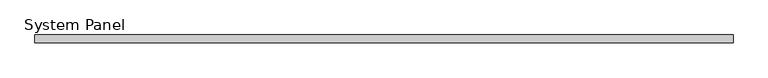
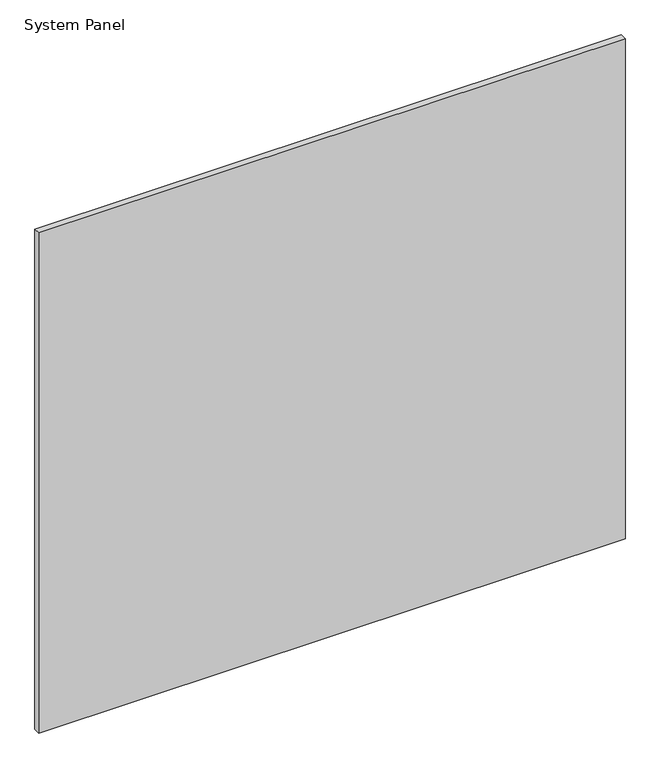
"""IFC4 building model written with IfcOpenShell, lengths in millimetres: plate geometry, System Panel."""

from ifc_helpers import new_model, si_unit, origin, origin_with_axes, place, context, project, spatial, polyline, outline, extrude, source, transform, mapped, element, save


def system_panel_d4c1f66c(model_context):
    return source(origin(), model_context, "Body", "SweptSolid", [
        extrude(outline(polyline([(548.249375, -6.0), (-548.249375, -6.0), (-548.249375, 6.0), (548.249375, 6.0), (548.249375, -6.0)])), origin_with_axes(), (0.0, 0.0, 1.0), 988.91875),
    ])


if __name__ == "__main__":
    model = new_model("IFC4")
    model_context = context("Model", 3, world=origin())
    ifc_project = project(units=[si_unit("LENGTHUNIT", "METRE", prefix="MILLI")], contexts=[model_context])
    site = spatial("IfcSite", under=ifc_project)
    building = spatial("IfcBuilding", under=site)
    placement = place(None, origin())
    system_panel_shape = system_panel_d4c1f66c(model_context)
    element("IfcPlate", 1, ObjectType="System Panel", at=placement, inside=building, context=model_context, shape_type="MappedRepresentation", body=[
        mapped(system_panel_shape, transform((0.0, 0.0, 0.0), x_axis=(1.0, 0.0, 0.0), y_axis=(0.0, 1.0, 0.0), z_axis=(0.0, 0.0, 1.0))),
    ])
    save(model, "model.ifc")
